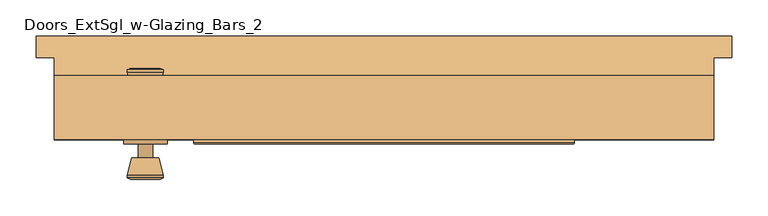
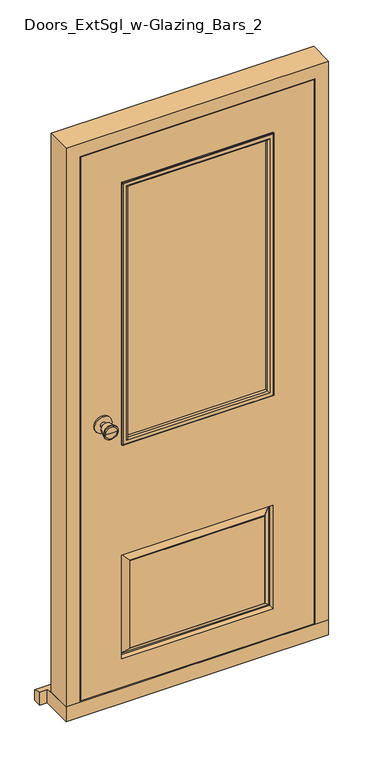
"""IFC4 building model written with IfcOpenShell, lengths in millimetres: door geometry, Doors_ExtSgl_w-Glazing_Bars_2."""

from ifc_helpers import new_model, si_unit, point, frame, frame_2d, origin, place, context, project, spatial, polyline, circle_curve, ellipse_curve, trimmed, segment, composite_curve, outline, extrude, faceted_brep, source, transform, mapped, element, save
from ifc_brep_helpers import plane_surface, cylinder_surface, revolved_surface, advanced_brep


def doors_extsgl_w_glazing_bars_2_39e5a64a(model_context):
    return source(origin(), model_context, "Body", "SolidModel", [
        advanced_brep(
        [(-330.7, -18.4, 1050.0), (-320.7, -18.4, 1050.0), (-340.7, -18.4, 1050.0), (-310.2241324, -67.4, 1050.0), (-330.7, -67.4, 1050.0), (-351.1758676, -67.4, 1050.0), (-305.7, -65.5721319, 1050.0), (-355.7, -65.5721319, 1050.0), (-305.7, -62.1084537, 1050.0), (-355.7, -62.1084537, 1050.0), (-312.063764, -37.4, 1050.0), (-349.336236, -37.4, 1050.0), (-320.7, -37.4, 1050.0), (-340.7, -37.4, 1050.0)],
        [
            (0, 1),
            (1, 2, circle_curve(frame((-330.7, -18.4, 1050.0), z_axis=(0.0, 1.0, 0.0), x_axis=(-1.0, 0.0, 0.0)), 10.0)),
            (2, 0),
            (2, 1, circle_curve(frame((-330.7, -18.4, 1050.0), z_axis=(0.0, 1.0, 0.0), x_axis=(-1.0, 0.0, 0.0)), 10.0)),
            (3, 4),
            (4, 5),
            (5, 3, circle_curve(frame((-330.7, -67.4, 1050.0), z_axis=(0.0, -1.0, 0.0), x_axis=(-1.0, 0.0, 0.0)), 20.4758676)),
            (3, 5, circle_curve(frame((-330.7, -67.4, 1050.0), z_axis=(0.0, -1.0, 0.0), x_axis=(-1.0, 0.0, 0.0)), 20.4758676)),
            (6, 3),
            (5, 7),
            (7, 6, circle_curve(frame((-330.7, -65.5721319, 1050.0), z_axis=(0.0, -1.0, 0.0), x_axis=(-1.0, 0.0, 0.0)), 25.0)),
            (6, 7, circle_curve(frame((-330.7, -65.5721319, 1050.0), z_axis=(0.0, -1.0, 0.0), x_axis=(-1.0, 0.0, 0.0)), 25.0)),
            (8, 6),
            (7, 9),
            (9, 8, circle_curve(frame((-330.7, -62.1084537, 1050.0), z_axis=(0.0, -1.0, 0.0), x_axis=(-1.0, 0.0, 0.0)), 25.0)),
            (8, 9, circle_curve(frame((-330.7, -62.1084537, 1050.0), z_axis=(0.0, -1.0, 0.0), x_axis=(-1.0, 0.0, 0.0)), 25.0)),
            (10, 8),
            (9, 11),
            (11, 10, circle_curve(frame((-330.7, -37.4, 1050.0), z_axis=(0.0, -1.0, 0.0), x_axis=(-1.0, 0.0, 0.0)), 18.636236)),
            (10, 11, circle_curve(frame((-330.7, -37.4, 1050.0), z_axis=(0.0, -1.0, 0.0), x_axis=(-1.0, 0.0, 0.0)), 18.636236)),
            (12, 10),
            (11, 13),
            (13, 12, circle_curve(frame((-330.7, -37.4, 1050.0), z_axis=(0.0, -1.0, 0.0), x_axis=(-1.0, 0.0, 0.0)), 10.0)),
            (12, 13, circle_curve(frame((-330.7, -37.4, 1050.0), z_axis=(0.0, -1.0, 0.0), x_axis=(-1.0, 0.0, 0.0)), 10.0)),
            (1, 12),
            (13, 2),
        ],
        [
            plane_surface(frame((-330.7, -18.4, 1050.0), z_axis=(0.0, 1.0, 0.0), x_axis=(-1.0, 0.0, 0.0))),
            plane_surface(frame((-330.7, -67.4, 1050.0), z_axis=(0.0, -1.0, 0.0), x_axis=(-1.0, 0.0, 0.0))),
            revolved_surface(polyline([(-351.1758676, -67.4, 1050.0), (-355.7, -65.5721319, 1050.0)]), (-330.7, -18.4, 1050.0), (0.0, 1.0, 0.0)),
            cylinder_surface(frame((-330.7, -18.4, 1050.0), z_axis=(0.0, 1.0, 0.0), x_axis=(-1.0, 0.0, 0.0)), 25.0),
            revolved_surface(polyline([(-355.7, -62.1084537, 1050.0), (-349.336236, -37.4, 1050.0)]), (-330.7, -18.4, 1050.0), (0.0, 1.0, 0.0)),
            plane_surface(frame((-330.7, -37.4, 1050.0), z_axis=(0.0, 1.0, 0.0), x_axis=(-1.0, 0.0, 0.0))),
            cylinder_surface(frame((-330.7, -18.4, 1050.0), z_axis=(0.0, 1.0, 0.0), x_axis=(-1.0, 0.0, 0.0)), 10.0),
        ],
        [
            (0, [[1, 2, 3]]),
            (0, [[-3, 4, -1]]),
            (1, [[5, 6, 7]]),
            (1, [[-6, -5, 8]]),
            (2, [[9, -7, 10, 11]]),
            (2, [[-10, -8, -9, 12]]),
            (3, [[13, -11, 14, 15]]),
            (3, [[-14, -12, -13, 16]]),
            (4, [[17, -15, 18, 19]]),
            (4, [[-18, -16, -17, 20]]),
            (5, [[21, -19, 22, 23]]),
            (5, [[-22, -20, -21, 24]]),
            (6, [[25, -23, 26, -2]]),
            (6, [[-26, -24, -25, -4]]),
        ],
    ),
        extrude(outline(composite_curve([segment(trimmed(circle_curve(frame_2d((1050.0, -330.7)), 30.0), [point((1050.0, -360.7))], [point((1050.0, -300.7))], False, "CARTESIAN"), True, "CONTINUOUS"), segment(trimmed(circle_curve(frame_2d((1050.0, -330.7)), 30.0), [point((1050.0, -300.7))], [point((1050.0, -360.7))], False, "CARTESIAN"), True, "CONTINUOUS")], self_intersect=False)), frame((0.0, -18.4, 0.0), z_axis=(0.0, 1.0, 0.0), x_axis=(0.0, 0.0, 1.0)), (0.0, 0.0, 1.0), 6.0),
        advanced_brep(
        [(-330.7, 37.6, 1050.0), (-340.7, 37.6, 1050.0), (-320.7, 37.6, 1050.0), (-310.2241324, 86.6, 1050.0), (-351.1758676, 86.6, 1050.0), (-330.7, 86.6, 1050.0), (-305.7, 84.7721319, 1050.0), (-355.7, 84.7721319, 1050.0), (-305.7, 81.3084537, 1050.0), (-355.7, 81.3084537, 1050.0), (-312.063764, 56.6, 1050.0), (-349.336236, 56.6, 1050.0), (-320.7, 56.6, 1050.0), (-340.7, 56.6, 1050.0)],
        [
            (0, 1),
            (1, 2, circle_curve(frame((-330.7, 37.6, 1050.0), z_axis=(0.0, -1.0, 0.0), x_axis=(-1.0, 0.0, 0.0)), 10.0)),
            (2, 0),
            (2, 1, circle_curve(frame((-330.7, 37.6, 1050.0), z_axis=(0.0, -1.0, 0.0), x_axis=(-1.0, 0.0, 0.0)), 10.0)),
            (3, 4, circle_curve(frame((-330.7, 86.6, 1050.0), z_axis=(0.0, 1.0, 0.0), x_axis=(-1.0, 0.0, 0.0)), 20.4758676)),
            (4, 5),
            (5, 3),
            (4, 3, circle_curve(frame((-330.7, 86.6, 1050.0), z_axis=(0.0, 1.0, 0.0), x_axis=(-1.0, 0.0, 0.0)), 20.4758676)),
            (6, 7, circle_curve(frame((-330.7, 84.7721319, 1050.0), z_axis=(0.0, 1.0, 0.0), x_axis=(-1.0, 0.0, 0.0)), 25.0)),
            (7, 4),
            (3, 6),
            (7, 6, circle_curve(frame((-330.7, 84.7721319, 1050.0), z_axis=(0.0, 1.0, 0.0), x_axis=(-1.0, 0.0, 0.0)), 25.0)),
            (8, 9, circle_curve(frame((-330.7, 81.3084537, 1050.0), z_axis=(0.0, 1.0, 0.0), x_axis=(-1.0, 0.0, 0.0)), 25.0)),
            (9, 7),
            (6, 8),
            (9, 8, circle_curve(frame((-330.7, 81.3084537, 1050.0), z_axis=(0.0, 1.0, 0.0), x_axis=(-1.0, 0.0, 0.0)), 25.0)),
            (10, 11, circle_curve(frame((-330.7, 56.6, 1050.0), z_axis=(0.0, 1.0, 0.0), x_axis=(-1.0, 0.0, 0.0)), 18.636236)),
            (11, 9),
            (8, 10),
            (11, 10, circle_curve(frame((-330.7, 56.6, 1050.0), z_axis=(0.0, 1.0, 0.0), x_axis=(-1.0, 0.0, 0.0)), 18.636236)),
            (12, 13, circle_curve(frame((-330.7, 56.6, 1050.0), z_axis=(0.0, 1.0, 0.0), x_axis=(-1.0, 0.0, 0.0)), 10.0)),
            (13, 11),
            (10, 12),
            (13, 12, circle_curve(frame((-330.7, 56.6, 1050.0), z_axis=(0.0, 1.0, 0.0), x_axis=(-1.0, 0.0, 0.0)), 10.0)),
            (1, 13),
            (12, 2),
        ],
        [
            plane_surface(frame((-330.7, 37.6, 1050.0), z_axis=(0.0, -1.0, 0.0), x_axis=(-1.0, 0.0, 0.0))),
            plane_surface(frame((-330.7, 86.6, 1050.0), z_axis=(0.0, 1.0, 0.0), x_axis=(-1.0, 0.0, 0.0))),
            revolved_surface(polyline([(-351.1758676, 86.6, 1050.0), (-355.7, 84.7721319, 1050.0)]), (-330.7, 37.6, 1050.0), (0.0, -1.0, 0.0)),
            cylinder_surface(frame((-330.7, 37.6, 1050.0), z_axis=(0.0, -1.0, 0.0), x_axis=(-1.0, 0.0, 0.0)), 25.0),
            revolved_surface(polyline([(-355.7, 81.3084537, 1050.0), (-349.336236, 56.6, 1050.0)]), (-330.7, 37.6, 1050.0), (0.0, -1.0, 0.0)),
            plane_surface(frame((-330.7, 56.6, 1050.0), z_axis=(0.0, -1.0, 0.0), x_axis=(-1.0, 0.0, 0.0))),
            cylinder_surface(frame((-330.7, 37.6, 1050.0), z_axis=(0.0, -1.0, 0.0), x_axis=(-1.0, 0.0, 0.0)), 10.0),
        ],
        [
            (0, [[1, 2, 3]]),
            (0, [[-3, 4, -1]]),
            (1, [[5, 6, 7]]),
            (1, [[8, -7, -6]]),
            (2, [[9, 10, -5, 11]]),
            (2, [[12, -11, -8, -10]]),
            (3, [[13, 14, -9, 15]]),
            (3, [[16, -15, -12, -14]]),
            (4, [[17, 18, -13, 19]]),
            (4, [[20, -19, -16, -18]]),
            (5, [[21, 22, -17, 23]]),
            (5, [[24, -23, -20, -22]]),
            (6, [[-2, 25, -21, 26]]),
            (6, [[-4, -26, -24, -25]]),
        ],
    ),
        extrude(outline(composite_curve([segment(trimmed(circle_curve(frame_2d((1050.0, -330.7)), 30.0), [point((1050.0, -360.7))], [point((1050.0, -300.7))], False, "CARTESIAN"), True, "CONTINUOUS"), segment(trimmed(circle_curve(frame_2d((1050.0, -330.7)), 30.0), [point((1050.0, -300.7))], [point((1050.0, -360.7))], False, "CARTESIAN"), True, "CONTINUOUS")], self_intersect=False)), frame((0.0, 31.6, 0.0), z_axis=(0.0, 1.0, 0.0), x_axis=(0.0, 0.0, 1.0)), (0.0, 0.0, 1.0), 6.0),
        faceted_brep([(386.7, 76.6, 54.5), (457.2, 76.6, 54.5), (457.2, -12.4, 54.5), (408.7, -12.4, 54.5), (408.7, 34.6, 54.5), (386.7, 34.6, 54.5), (386.7, 76.6, 2037.7), (-386.7, 76.6, 2037.7), (-386.7, 76.6, 54.5), (-457.2, 76.6, 54.5), (-457.2, 76.6, 2108.2), (457.2, 76.6, 2108.2), (457.2, -12.4, 2108.2), (-457.2, -12.4, 2108.2), (-457.2, -12.4, 54.5), (-408.7, -12.4, 54.5), (-408.7, -12.4, 2059.7), (408.7, -12.4, 2059.7), (408.7, 34.6, 2059.7), (-408.7, 34.6, 2059.7), (-408.7, 34.6, 54.5), (-386.7, 34.6, 54.5), (-386.7, 34.6, 2037.7), (386.7, 34.6, 2037.7)], [[[0, 1, 2, 3, 4, 5]], [[1, 0, 6, 7, 8, 9, 10, 11]], [[2, 1, 11, 12]], [[3, 2, 12, 13, 14, 15, 16, 17]], [[4, 3, 17, 18]], [[5, 4, 18, 19, 20, 21, 22, 23]], [[0, 5, 23, 6]], [[8, 7, 22, 21]], [[9, 8, 21, 20, 15, 14]], [[10, 9, 14, 13]], [[16, 15, 20, 19]], [[11, 10, 13, 12]], [[17, 16, 19, 18]], [[7, 6, 23, 22]]]),
        faceted_brep([(405.7, -12.4, 58.5), (405.7, -12.4, 2056.7), (-406.6250294, -12.4, 2056.7), (-406.6250294, -12.4, 58.5), (-255.7, -12.4, 958.5), (-255.7, -12.4, 1906.7), (255.7, -12.4, 1906.7), (255.7, -12.4, 958.5), (-263.7, -12.4, 163.5), (-263.7, -12.4, 543.5), (263.7, -12.4, 543.5), (263.7, -12.4, 163.5), (-233.7, -12.4, 513.5), (-233.7, -12.4, 193.5), (233.7, -12.4, 193.5), (233.7, -12.4, 513.5), (405.7, 31.6, 58.5), (-406.6250294, 31.6, 58.5), (-406.6250294, 31.6, 2056.7), (405.7, 31.6, 2056.7), (-255.7, 31.6, 958.5), (255.7, 31.6, 958.5), (255.7, 31.6, 1906.7), (-255.7, 31.6, 1906.7), (-263.7, 31.6, 553.5), (-263.7, 31.6, 233.5), (263.7, 31.6, 233.5), (263.7, 31.6, 553.5), (-233.7, 31.6, 263.5), (-233.7, 31.6, 523.5), (233.7, 31.6, 523.5), (233.7, 31.6, 263.5), (-260.7, 16.6, 550.5), (-260.7, 16.6, 236.5), (-235.7, 30.6, 525.5), (-235.7, 30.6, 261.5), (-255.7, 16.6, 241.5), (-255.7, 16.6, 545.5), (-233.7, 30.6, 263.5), (-233.7, 30.6, 523.5), (260.7, 16.6, 236.5), (235.7, 30.6, 261.5), (255.7, 16.6, 241.5), (233.7, 30.6, 263.5), (260.7, 16.6, 550.5), (235.7, 30.6, 525.5), (255.7, 16.6, 545.5), (233.7, 30.6, 523.5), (-233.7, -11.4, 193.5), (-233.7, -11.4, 513.5), (-255.7, 2.6, 171.5), (-235.7, -11.4, 191.5), (-235.7, -11.4, 515.5), (-255.7, 2.6, 535.5), (-260.7, 2.6, 166.5), (-260.7, 2.6, 540.5), (233.7, -11.4, 193.5), (255.7, 2.6, 171.5), (235.7, -11.4, 191.5), (260.7, 2.6, 166.5), (233.7, -11.4, 513.5), (255.7, 2.6, 535.5), (235.7, -11.4, 515.5), (260.7, 2.6, 540.5)], [[[0, 1, 2, 3], [4, 5, 6, 7], [8, 9, 10, 11]], [[12, 13, 14, 15]], [[16, 17, 18, 19], [20, 21, 22, 23], [24, 25, 26, 27]], [[28, 29, 30, 31]], [[1, 0, 16, 19]], [[2, 1, 19, 18]], [[3, 2, 18, 17]], [[0, 3, 17, 16]], [[5, 4, 20, 23]], [[6, 5, 23, 22]], [[7, 6, 22, 21]], [[4, 7, 21, 20]], [[32, 33, 25, 24]], [[34, 35, 36, 37]], [[28, 38, 39, 29]], [[25, 33, 40, 26]], [[36, 35, 41, 42]], [[38, 28, 31, 43]], [[26, 40, 44, 27]], [[42, 41, 45, 46]], [[43, 31, 30, 47]], [[32, 24, 27, 44]], [[33, 32, 44, 40], [37, 36, 42, 46]], [[34, 37, 46, 45]], [[35, 34, 45, 41], [39, 38, 43, 47]], [[29, 39, 47, 30]], [[48, 13, 12, 49]], [[50, 51, 52, 53]], [[8, 54, 55, 9]], [[48, 56, 14, 13]], [[50, 57, 58, 51]], [[11, 59, 54, 8]], [[14, 56, 60, 15]], [[58, 57, 61, 62]], [[59, 11, 10, 63]], [[15, 60, 49, 12]], [[51, 58, 62, 52], [56, 48, 49, 60]], [[62, 61, 53, 52]], [[54, 59, 63, 55], [57, 50, 53, 61]], [[63, 10, 9, 55]]]),
        faceted_brep([(482.2, 131.6, 0.0), (482.2, 131.6, 38.5947221), (482.2, 101.6, 47.2703282), (482.2, 101.6, 0.0), (-482.2, 131.6, 38.5947221), (-482.2, 131.6, 0.0), (-482.2, 101.6, 0.0), (-482.2, 101.6, 47.2703282), (457.2, 101.6, 0.0), (457.2, -12.4, 0.0), (-457.2, -12.4, 0.0), (-457.2, 101.6, 0.0), (-457.2, 101.6, 47.2703282), (-457.2, 76.6, 54.5), (457.2, 76.6, 54.5), (457.2, 101.6, 47.2703282), (-457.2, -12.4, 54.5), (457.2, -12.4, 54.5)], [[[0, 1, 2, 3]], [[4, 5, 6, 7]], [[5, 0, 3, 8, 9, 10, 11, 6]], [[1, 0, 5, 4]], [[1, 4, 7, 12, 13, 14, 15, 2]], [[13, 16, 17, 14]], [[16, 10, 9, 17]], [[12, 11, 10, 16, 13]], [[11, 12, 7, 6]], [[8, 15, 14, 17, 9]], [[15, 8, 3, 2]]]),
        extrude(outline(polyline([(-255.7, 21.6), (255.7, 21.6), (255.7, -2.4), (-255.7, -2.4), (-255.7, 21.6)])), frame((0.0, 0.0, 958.5), z_axis=(0.0, 0.0, 1.0), x_axis=(1.0, 0.0, 0.0)), (0.0, 0.0, 1.0), 948.2),
        advanced_brep(
        [(-263.7, 35.6, 950.5), (-263.7, 31.6, 950.5), (-263.7, 31.6, 1914.7), (-263.7, 35.6, 1914.7), (-261.7, 37.6, 952.5), (-261.7, 37.6, 1912.7), (-243.7, 32.6, 970.5), (-248.7, 37.6, 965.5), (-248.7, 37.6, 1899.7), (-243.7, 32.6, 1894.7), (-243.7, 21.6, 970.5), (-243.7, 21.6, 1894.7), (-255.7, 31.6, 958.5), (-255.7, 21.6, 958.5), (-255.7, 21.6, 1906.7), (-255.7, 31.6, 1906.7), (263.7, 31.6, 1914.7), (263.7, 35.6, 1914.7), (261.7, 37.6, 1912.7), (248.7, 37.6, 1899.7), (243.7, 32.6, 1894.7), (243.7, 21.6, 1894.7), (255.7, 21.6, 1906.7), (255.7, 31.6, 1906.7), (263.7, 31.6, 950.5), (263.7, 35.6, 950.5), (261.7, 37.6, 952.5), (248.7, 37.6, 965.5), (243.7, 32.6, 970.5), (243.7, 21.6, 970.5), (255.7, 21.6, 958.5), (255.7, 31.6, 958.5)],
        [
            (0, 1),
            (1, 2),
            (2, 3),
            (3, 0),
            (4, 0, ellipse_curve(frame((-261.7, 35.6, 952.5), z_axis=(-0.7071067811865474, 0.0, 0.7071067811865476), x_axis=(-0.7071067811865475, 0.0, -0.7071067811865475)), 2.8284271, 2.0)),
            (3, 5, ellipse_curve(frame((-261.7, 35.6, 1912.7), z_axis=(-0.7071067811865476, 0.0, -0.7071067811865474), x_axis=(0.7071067811865472, 0.0, -0.7071067811865478)), 2.8284271, 2.0)),
            (5, 4),
            (6, 7, ellipse_curve(frame((-248.7, 32.6, 965.5), z_axis=(-0.7071067811865474, 0.0, 0.7071067811865476), x_axis=(-0.7071067811865475, 0.0, -0.7071067811865475)), 7.0710678, 5.0)),
            (7, 8),
            (8, 9, ellipse_curve(frame((-248.7, 32.6, 1899.7), z_axis=(-0.7071067811865476, 0.0, -0.7071067811865474), x_axis=(0.7071067811865472, 0.0, -0.7071067811865478)), 7.0710678, 5.0)),
            (9, 6),
            (10, 6),
            (9, 11),
            (11, 10),
            (12, 13),
            (13, 14),
            (14, 15),
            (15, 12),
            (2, 16),
            (16, 17),
            (17, 3),
            (17, 18, ellipse_curve(frame((261.7, 35.6, 1912.7), z_axis=(-0.7071067811865474, 0.0, 0.7071067811865476), x_axis=(-0.7071067811865477, 0.0, -0.7071067811865472)), 2.8284271, 2.0)),
            (18, 5),
            (8, 19),
            (19, 20, ellipse_curve(frame((248.7, 32.6, 1899.7), z_axis=(-0.7071067811865474, 0.0, 0.7071067811865476), x_axis=(-0.7071067811865477, 0.0, -0.7071067811865472)), 7.0710678, 5.0)),
            (20, 9),
            (20, 21),
            (21, 11),
            (14, 22),
            (22, 23),
            (23, 15),
            (16, 24),
            (24, 25),
            (25, 17),
            (25, 26, ellipse_curve(frame((261.7, 35.6, 952.5), z_axis=(0.7071067811865476, 0.0, 0.7071067811865474), x_axis=(-0.7071067811865474, 0.0, 0.7071067811865477)), 2.8284271, 2.0)),
            (26, 18),
            (19, 27),
            (27, 28, ellipse_curve(frame((248.7, 32.6, 965.5), z_axis=(0.7071067811865476, 0.0, 0.7071067811865474), x_axis=(-0.7071067811865474, 0.0, 0.7071067811865477)), 7.0710678, 5.0)),
            (28, 20),
            (28, 29),
            (29, 21),
            (22, 30),
            (30, 31),
            (31, 23),
            (24, 1),
            (0, 25),
            (4, 26),
            (7, 27),
            (6, 28),
            (10, 29),
            (13, 30),
            (12, 31),
        ],
        [
            plane_surface(frame((-263.7, 31.6, 950.5), z_axis=(-1.0, 0.0, 0.0), x_axis=(0.0, 0.0, 1.0))),
            cylinder_surface(frame((-261.7, 35.6, 958.5), z_axis=(0.0, 0.0, -1.0), x_axis=(-1.0, 0.0, 0.0)), 2.0),
            cylinder_surface(frame((-248.7, 32.6, 958.5), z_axis=(0.0, 0.0, -1.0), x_axis=(-1.0, 0.0, 0.0)), 5.0),
            plane_surface(frame((-243.7, 32.6, 970.5), z_axis=(1.0, 0.0, 0.0), x_axis=(0.0, 0.0, 1.0))),
            plane_surface(frame((-255.7, 21.6, 958.5), z_axis=(-1.0, 0.0, 0.0), x_axis=(0.0, 0.0, 1.0))),
            plane_surface(frame((-263.7, 31.6, 1914.7), z_axis=(0.0, 0.0, 1.0), x_axis=(1.0, 0.0, 0.0))),
            cylinder_surface(frame((-255.7, 35.6, 1912.7), z_axis=(-1.0, 0.0, 0.0), x_axis=(0.0, 0.0, 1.0)), 2.0),
            cylinder_surface(frame((-255.7, 32.6, 1899.7), z_axis=(-1.0, 0.0, 0.0), x_axis=(0.0, 0.0, 1.0)), 5.0),
            plane_surface(frame((-243.7, 32.6, 1894.7), z_axis=(0.0, 0.0, -1.0), x_axis=(1.0, 0.0, 0.0))),
            plane_surface(frame((-255.7, 21.6, 1906.7), z_axis=(0.0, 0.0, 1.0), x_axis=(1.0, 0.0, 0.0))),
            plane_surface(frame((263.7, 31.6, 1914.7), z_axis=(1.0, 0.0, 0.0), x_axis=(0.0, 0.0, -1.0))),
            cylinder_surface(frame((261.7, 35.6, 1906.7), z_axis=(0.0, 0.0, 1.0), x_axis=(1.0, 0.0, 0.0)), 2.0),
            cylinder_surface(frame((248.7, 32.6, 1906.7), z_axis=(0.0, 0.0, 1.0), x_axis=(1.0, 0.0, 0.0)), 5.0),
            plane_surface(frame((243.7, 32.6, 1894.7), z_axis=(-1.0, 0.0, 0.0), x_axis=(0.0, 0.0, -1.0))),
            plane_surface(frame((255.7, 21.6, 1906.7), z_axis=(1.0, 0.0, 0.0), x_axis=(0.0, 0.0, -1.0))),
            plane_surface(frame((263.7, 31.6, 950.5), z_axis=(0.0, 0.0, -1.0), x_axis=(-1.0, 0.0, 0.0))),
            cylinder_surface(frame((255.7, 35.6, 952.5), z_axis=(1.0, 0.0, 0.0), x_axis=(0.0, 0.0, -1.0)), 2.0),
            plane_surface(frame((261.7, 37.6, 952.5), z_axis=(0.0, 1.0, 0.0), x_axis=(-1.0, 0.0, 0.0))),
            cylinder_surface(frame((255.7, 32.6, 965.5), z_axis=(1.0, 0.0, 0.0), x_axis=(0.0, 0.0, -1.0)), 5.0),
            plane_surface(frame((243.7, 32.6, 970.5), z_axis=(0.0, 0.0, 1.0), x_axis=(-1.0, 0.0, 0.0))),
            plane_surface(frame((243.7, 21.6, 970.5), z_axis=(0.0, -1.0, 0.0), x_axis=(-1.0, 0.0, 0.0))),
            plane_surface(frame((255.7, 21.6, 958.5), z_axis=(0.0, 0.0, -1.0), x_axis=(-1.0, 0.0, 0.0))),
            plane_surface(frame((255.7, 31.6, 958.5), z_axis=(0.0, -1.0, 0.0), x_axis=(-1.0, 0.0, 0.0))),
        ],
        [
            (0, [[1, 2, 3, 4]]),
            (1, [[5, -4, 6, 7]]),
            (2, [[8, 9, 10, 11]]),
            (3, [[12, -11, 13, 14]]),
            (4, [[15, 16, 17, 18]]),
            (5, [[-3, 19, 20, 21]]),
            (6, [[-6, -21, 22, 23]]),
            (7, [[-10, 24, 25, 26]]),
            (8, [[-13, -26, 27, 28]]),
            (9, [[-17, 29, 30, 31]]),
            (10, [[-20, 32, 33, 34]]),
            (11, [[-22, -34, 35, 36]]),
            (12, [[-25, 37, 38, 39]]),
            (13, [[-27, -39, 40, 41]]),
            (14, [[-30, 42, 43, 44]]),
            (15, [[-33, 45, -1, 46]]),
            (16, [[-35, -46, -5, 47]]),
            (17, [[-23, -36, -47, -7], [48, -37, -24, -9]]),
            (18, [[-38, -48, -8, 49]]),
            (19, [[-40, -49, -12, 50]]),
            (20, [[51, -42, -29, -16], [-28, -41, -50, -14]]),
            (21, [[-43, -51, -15, 52]]),
            (22, [[-45, -32, -19, -2], [-31, -44, -52, -18]]),
        ],
    ),
        advanced_brep(
        [(263.7, -16.4, 950.5), (263.7, -12.4, 950.5), (263.7, -12.4, 1914.7), (263.7, -16.4, 1914.7), (261.7, -18.4, 952.5), (261.7, -18.4, 1912.7), (243.7, -13.4, 970.5), (248.7, -18.4, 965.5), (248.7, -18.4, 1899.7), (243.7, -13.4, 1894.7), (243.7, -2.4, 970.5), (243.7, -2.4, 1894.7), (255.7, -12.4, 958.5), (255.7, -2.4, 958.5), (255.7, -2.4, 1906.7), (255.7, -12.4, 1906.7), (-263.7, -12.4, 1914.7), (-263.7, -16.4, 1914.7), (-261.7, -18.4, 1912.7), (-248.7, -18.4, 1899.7), (-243.7, -13.4, 1894.7), (-243.7, -2.4, 1894.7), (-255.7, -2.4, 1906.7), (-255.7, -12.4, 1906.7), (-263.7, -12.4, 950.5), (-263.7, -16.4, 950.5), (-261.7, -18.4, 952.5), (-248.7, -18.4, 965.5), (-243.7, -13.4, 970.5), (-243.7, -2.4, 970.5), (-255.7, -2.4, 958.5), (-255.7, -12.4, 958.5)],
        [
            (0, 1),
            (1, 2),
            (2, 3),
            (3, 0),
            (4, 0, ellipse_curve(frame((261.7, -16.4, 952.5), z_axis=(0.7071067811865429, 0.0, 0.7071067811865521), x_axis=(0.707106781186552, 0.0, -0.7071067811865429)), 2.8284271, 2.0)),
            (3, 5, ellipse_curve(frame((261.7, -16.4, 1912.7), z_axis=(0.7071067811865523, 0.0, -0.7071067811865427), x_axis=(-0.7071067811865427, 0.0, -0.7071067811865523)), 2.8284271, 2.0)),
            (5, 4),
            (6, 7, ellipse_curve(frame((248.7, -13.4, 965.5), z_axis=(0.7071067811865429, 0.0, 0.7071067811865521), x_axis=(0.707106781186552, 0.0, -0.7071067811865429)), 7.0710678, 5.0)),
            (7, 8),
            (8, 9, ellipse_curve(frame((248.7, -13.4, 1899.7), z_axis=(0.7071067811865523, 0.0, -0.7071067811865427), x_axis=(-0.7071067811865427, 0.0, -0.7071067811865523)), 7.0710678, 5.0)),
            (9, 6),
            (10, 6),
            (9, 11),
            (11, 10),
            (12, 13),
            (13, 14),
            (14, 15),
            (15, 12),
            (2, 16),
            (16, 17),
            (17, 3),
            (17, 18, ellipse_curve(frame((-261.7, -16.4, 1912.7), z_axis=(0.7071067811865427, 0.0, 0.7071067811865522), x_axis=(0.7071067811865523, 0.0, -0.7071067811865426)), 2.8284271, 2.0)),
            (18, 5),
            (8, 19),
            (19, 20, ellipse_curve(frame((-248.7, -13.4, 1899.7), z_axis=(0.7071067811865427, 0.0, 0.7071067811865522), x_axis=(0.7071067811865523, 0.0, -0.7071067811865426)), 7.0710678, 5.0)),
            (20, 9),
            (20, 21),
            (21, 11),
            (14, 22),
            (22, 23),
            (23, 15),
            (16, 24),
            (24, 25),
            (25, 17),
            (25, 26, ellipse_curve(frame((-261.7, -16.4, 952.5), z_axis=(-0.7071067811865521, 0.0, 0.7071067811865429), x_axis=(0.7071067811865429, 0.0, 0.7071067811865521)), 2.8284271, 2.0)),
            (26, 18),
            (19, 27),
            (27, 28, ellipse_curve(frame((-248.7, -13.4, 965.5), z_axis=(-0.7071067811865521, 0.0, 0.7071067811865429), x_axis=(0.7071067811865429, 0.0, 0.7071067811865521)), 7.0710678, 5.0)),
            (28, 20),
            (28, 29),
            (29, 21),
            (22, 30),
            (30, 31),
            (31, 23),
            (24, 1),
            (0, 25),
            (4, 26),
            (7, 27),
            (6, 28),
            (10, 29),
            (13, 30),
            (12, 31),
        ],
        [
            plane_surface(frame((263.7, -12.4, 950.5), z_axis=(1.0, 0.0, 0.0), x_axis=(0.0, 0.0, 1.0))),
            cylinder_surface(frame((261.7, -16.4, 958.5), z_axis=(0.0, 0.0, -1.0), x_axis=(1.0, 0.0, 0.0)), 2.0),
            cylinder_surface(frame((248.7, -13.4, 958.5), z_axis=(0.0, 0.0, -1.0), x_axis=(1.0, 0.0, 0.0)), 5.0),
            plane_surface(frame((243.7, -13.4, 970.5), z_axis=(-1.0, 0.0, 0.0), x_axis=(0.0, 0.0, 1.0))),
            plane_surface(frame((255.7, -2.4, 958.5), z_axis=(1.0, 0.0, 0.0), x_axis=(0.0, 0.0, 1.0))),
            plane_surface(frame((263.7, -12.4, 1914.7), z_axis=(0.0, 0.0, 1.0), x_axis=(-1.0, 0.0, 0.0))),
            cylinder_surface(frame((255.7, -16.4, 1912.7), z_axis=(1.0, 0.0, 0.0), x_axis=(0.0, 0.0, 1.0)), 2.0),
            cylinder_surface(frame((255.7, -13.4, 1899.7), z_axis=(1.0, 0.0, 0.0), x_axis=(0.0, 0.0, 1.0)), 5.0),
            plane_surface(frame((243.7, -13.4, 1894.7), z_axis=(0.0, 0.0, -1.0), x_axis=(-1.0, 0.0, 0.0))),
            plane_surface(frame((255.7, -2.4, 1906.7), z_axis=(0.0, 0.0, 1.0), x_axis=(-1.0, 0.0, 0.0))),
            plane_surface(frame((-263.7, -12.4, 1914.7), z_axis=(-1.0, 0.0, 0.0), x_axis=(0.0, 0.0, -1.0))),
            cylinder_surface(frame((-261.7, -16.4, 1906.7), z_axis=(0.0, 0.0, 1.0), x_axis=(-1.0, 0.0, 0.0)), 2.0),
            cylinder_surface(frame((-248.7, -13.4, 1906.7), z_axis=(0.0, 0.0, 1.0), x_axis=(-1.0, 0.0, 0.0)), 5.0),
            plane_surface(frame((-243.7, -13.4, 1894.7), z_axis=(1.0, 0.0, 0.0), x_axis=(0.0, 0.0, -1.0))),
            plane_surface(frame((-255.7, -2.4, 1906.7), z_axis=(-1.0, 0.0, 0.0), x_axis=(0.0, 0.0, -1.0))),
            plane_surface(frame((-263.7, -12.4, 950.5), z_axis=(0.0, 0.0, -1.0), x_axis=(1.0, 0.0, 0.0))),
            cylinder_surface(frame((-255.7, -16.4, 952.5), z_axis=(-1.0, 0.0, 0.0), x_axis=(0.0, 0.0, -1.0)), 2.0),
            plane_surface(frame((-261.7, -18.4, 952.5), z_axis=(0.0, -1.0, 0.0), x_axis=(1.0, 0.0, 0.0))),
            cylinder_surface(frame((-255.7, -13.4, 965.5), z_axis=(-1.0, 0.0, 0.0), x_axis=(0.0, 0.0, -1.0)), 5.0),
            plane_surface(frame((-243.7, -13.4, 970.5), z_axis=(0.0, 0.0, 1.0), x_axis=(1.0, 0.0, 0.0))),
            plane_surface(frame((-243.7, -2.4, 970.5), z_axis=(0.0, 1.0, 0.0), x_axis=(1.0, 0.0, 0.0))),
            plane_surface(frame((-255.7, -2.4, 958.5), z_axis=(0.0, 0.0, -1.0), x_axis=(1.0, 0.0, 0.0))),
            plane_surface(frame((-255.7, -12.4, 958.5), z_axis=(0.0, 1.0, 0.0), x_axis=(1.0, 0.0, 0.0))),
        ],
        [
            (0, [[1, 2, 3, 4]]),
            (1, [[5, -4, 6, 7]]),
            (2, [[8, 9, 10, 11]]),
            (3, [[12, -11, 13, 14]]),
            (4, [[15, 16, 17, 18]]),
            (5, [[-3, 19, 20, 21]]),
            (6, [[-6, -21, 22, 23]]),
            (7, [[-10, 24, 25, 26]]),
            (8, [[-13, -26, 27, 28]]),
            (9, [[-17, 29, 30, 31]]),
            (10, [[-20, 32, 33, 34]]),
            (11, [[-22, -34, 35, 36]]),
            (12, [[-25, 37, 38, 39]]),
            (13, [[-27, -39, 40, 41]]),
            (14, [[-30, 42, 43, 44]]),
            (15, [[-33, 45, -1, 46]]),
            (16, [[-35, -46, -5, 47]]),
            (17, [[-23, -36, -47, -7], [48, -37, -24, -9]]),
            (18, [[-38, -48, -8, 49]]),
            (19, [[-40, -49, -12, 50]]),
            (20, [[51, -42, -29, -16], [-28, -41, -50, -14]]),
            (21, [[-43, -51, -15, 52]]),
            (22, [[-45, -32, -19, -2], [-31, -44, -52, -18]]),
        ],
    ),
    ])


if __name__ == "__main__":
    model = new_model("IFC4")
    model_context = context("Model", 3, world=origin())
    ifc_project = project(units=[si_unit("LENGTHUNIT", "METRE", prefix="MILLI")], contexts=[model_context])
    site = spatial("IfcSite", under=ifc_project)
    building = spatial("IfcBuilding", under=site)
    placement = place(None, origin())
    doors_extsgl_w_glazing_bars_2_shape = doors_extsgl_w_glazing_bars_2_39e5a64a(model_context)
    element("IfcDoor", 1, ObjectType="Doors_ExtSgl_w-Glazing_Bars_2", at=placement, inside=building, context=model_context, shape_type="MappedRepresentation", body=[
        mapped(doors_extsgl_w_glazing_bars_2_shape, transform((0.0, 0.0, 0.0), x_axis=(1.0, 0.0, 0.0), y_axis=(0.0, 1.0, 0.0), z_axis=(0.0, 0.0, 1.0))),
    ])
    save(model, "model.ifc")
